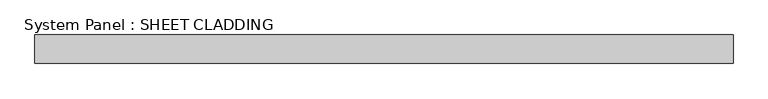
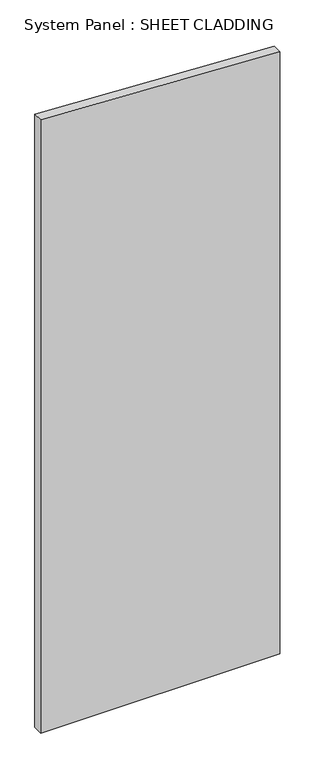
"""IFC4 building model written with IfcOpenShell, lengths in millimetres: plate geometry, System Panel : SHEET CLADDING."""

from ifc_helpers import new_model, si_unit, frame, origin, place, context, project, spatial, polyline, outline, extrude, source, transform, mapped, element, save


def system_panel_sheet_cladding_a72bc237(model_context):
    return source(origin(), model_context, "Body", "SweptSolid", [
        extrude(outline(polyline([(0.0, -735.4591837), (0.0, 735.4591837), (3913.9010204, 735.4591837), (3987.4469388, -735.4591837), (0.0, -735.4591837)])), frame((0.0, -10.5, 0.0), z_axis=(0.0, 1.0, 0.0), x_axis=(0.0, 0.0, 1.0)), (0.0, 0.0, 1.0), 60.0),
    ])


if __name__ == "__main__":
    model = new_model("IFC4")
    model_context = context("Model", 3, world=origin())
    ifc_project = project(units=[si_unit("LENGTHUNIT", "METRE", prefix="MILLI")], contexts=[model_context])
    site = spatial("IfcSite", under=ifc_project)
    building = spatial("IfcBuilding", under=site)
    placement = place(None, origin())
    system_panel_sheet_cladding_shape = system_panel_sheet_cladding_a72bc237(model_context)
    element("IfcPlate", 1, ObjectType="System Panel : SHEET CLADDING", at=placement, inside=building, context=model_context, shape_type="MappedRepresentation", body=[
        mapped(system_panel_sheet_cladding_shape, transform((0.0, 0.0, 0.0), x_axis=(1.0, 0.0, 0.0), y_axis=(0.0, 1.0, 0.0), z_axis=(0.0, 0.0, 1.0))),
    ])
    save(model, "model.ifc")
